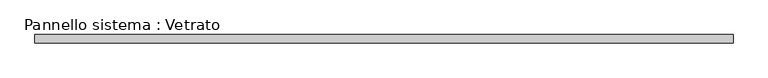
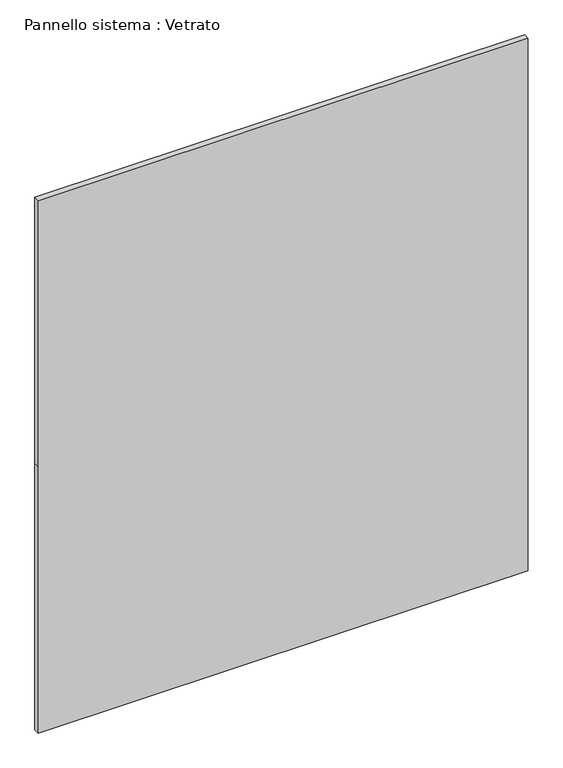
"""IFC4 building model written with IfcOpenShell, lengths in millimetres: plate geometry, Pannello sistema : Vetrato."""

from ifc_helpers import new_model, si_unit, frame, origin, place, context, project, spatial, polyline, outline, extrude, source, transform, mapped, element, save


def pannello_sistema_vetrato_8d96f0f7(model_context):
    return source(origin(), model_context, "Body", "SweptSolid", [
        extrude(outline(polyline([(0.0, -1262.5), (0.0, 1262.5), (1450.0, 1262.5), (2900.0, 1262.5), (2900.0, -1262.5), (1450.0, -1262.5), (0.0, -1262.5)])), frame((0.0, -15.0, 0.0), z_axis=(0.0, 1.0, 0.0), x_axis=(0.0, 0.0, 1.0)), (0.0, 0.0, 1.0), 30.0),
    ])


if __name__ == "__main__":
    model = new_model("IFC4")
    model_context = context("Model", 3, world=origin())
    ifc_project = project(units=[si_unit("LENGTHUNIT", "METRE", prefix="MILLI")], contexts=[model_context])
    site = spatial("IfcSite", under=ifc_project)
    building = spatial("IfcBuilding", under=site)
    placement = place(None, origin())
    pannello_sistema_vetrato_shape = pannello_sistema_vetrato_8d96f0f7(model_context)
    element("IfcPlate", 1, ObjectType="Pannello sistema : Vetrato", at=placement, inside=building, context=model_context, shape_type="MappedRepresentation", body=[
        mapped(pannello_sistema_vetrato_shape, transform((0.0, 0.0, 0.0), x_axis=(1.0, 0.0, 0.0), y_axis=(0.0, 1.0, 0.0), z_axis=(0.0, 0.0, 1.0))),
    ])
    save(model, "model.ifc")
